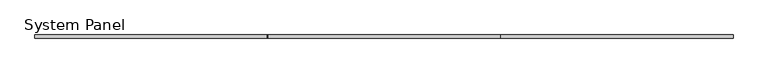
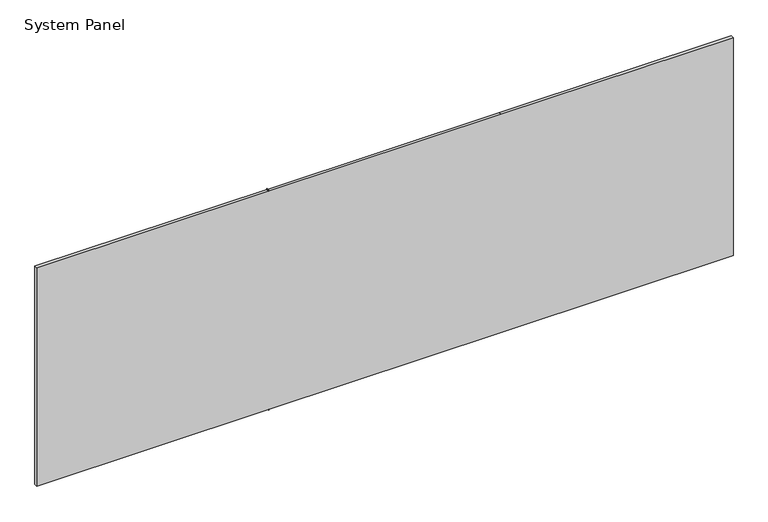
"""IFC4 building model written with IfcOpenShell, lengths in millimetres: plate geometry, System Panel."""

import ifcopenshell
import ifcopenshell.guid

model = None  # the IFC model being written
_history = None  # IfcOwnerHistory: only IFC2X3 demands one
_inside = {}  # id of a spatial element -> (the spatial element, [elements in it])
_under = {}  # id of a project, library or spatial element -> (it, [spatial elements below it])
_declared = {}  # id of a project -> (the project, [libraries it declares])
_typed = {}  # id of a type object -> (the type object, [elements of that type])
_made_of = {}  # id of a material, layer set ... -> (it, [elements and type objects made of it])


def new_model(schema):
    """Start an empty IFC model of exactly this schema.

    Asked for "IFC4X3", IfcOpenShell would pick the latest addendum, in which some entities
    have other attributes; the version numbers below select the first issue.
    IFC2X3 requires an IfcOwnerHistory on every rooted entity: one is made here for all.
    """
    global model, _history
    if schema == "IFC4X3":
        model = ifcopenshell.file(schema_version=(4, 3, 0, 0))
    else:
        model = ifcopenshell.file(schema=schema)
    _inside.clear()
    _under.clear()
    _declared.clear()
    _typed.clear()
    _made_of.clear()
    _history = None
    if model.schema == "IFC2X3":
        org = make("IfcOrganization", Name="unknown")
        user = make(
            "IfcPersonAndOrganization",
            ThePerson=make("IfcPerson", FamilyName="unknown"),
            TheOrganization=org,
        )
        app = make(
            "IfcApplication",
            ApplicationDeveloper=org,
            Version="unknown",
            ApplicationFullName="unknown",
            ApplicationIdentifier="unknown",
        )
        _history = make(
            "IfcOwnerHistory",
            OwningUser=user,
            OwningApplication=app,
            ChangeAction="ADDED",
            CreationDate=0,
        )
    return model


def make(cls, **values):
    """One entity of the class cls with the attributes given. An attribute that is None is left unset."""
    return model.create_entity(
        cls, **{name: value for name, value in values.items() if value is not None}
    )


def rooted(cls, **values):
    """An entity with a GlobalId (a new one), such as an element, a storey or a relation."""
    return make(cls, GlobalId=ifcopenshell.guid.new(), OwnerHistory=_history, **values)


def si_unit(unit_type, name, prefix=None):
    """IfcSIUnit, for example si_unit("LENGTHUNIT", "METRE", prefix="MILLI")."""
    return make("IfcSIUnit", UnitType=unit_type, Prefix=prefix, Name=name)


def assignment(units):
    """IfcUnitAssignment: the units of a project."""
    return None if units is None else make("IfcUnitAssignment", Units=units)


def point(xyz):
    """IfcCartesianPoint."""
    return None if xyz is None else make("IfcCartesianPoint", Coordinates=xyz)


def direction(xyz):
    """IfcDirection."""
    return None if xyz is None else make("IfcDirection", DirectionRatios=xyz)


def frame(location, z_axis=None, x_axis=None):
    """IfcAxis2Placement3D, a coordinate frame: its origin and axes. An axis left out is left unset."""
    return make(
        "IfcAxis2Placement3D",
        Location=point(location),
        Axis=direction(z_axis),
        RefDirection=direction(x_axis),
    )


def origin():
    """The frame at (0, 0, 0) with its axes left unset."""
    return frame((0.0, 0.0, 0.0))


def place(relative_to, where):
    """IfcLocalPlacement: puts the frame where relative to a parent placement (None: the world)."""
    return make(
        "IfcLocalPlacement", PlacementRelTo=relative_to, RelativePlacement=where
    )


def context(
    kind, dimensions, precision=None, world=None, true_north=None, identifier=None
):
    """IfcGeometricRepresentationContext, for example the 3D "Model" context."""
    return make(
        "IfcGeometricRepresentationContext",
        ContextIdentifier=identifier,
        ContextType=kind,
        CoordinateSpaceDimension=dimensions,
        Precision=precision,
        WorldCoordinateSystem=world,
        TrueNorth=true_north,
    )


def project(units=None, contexts=None):
    """IfcProject with its units and contexts."""
    return rooted(
        "IfcProject",
        Name="project",
        RepresentationContexts=contexts,
        UnitsInContext=assignment(units),
    )


def spatial(cls, under=None, at=None, **own):
    """A site, building, storey or space (cls), placed at a placement, below another one or the project."""
    s = rooted(cls, ObjectPlacement=at, **own)
    if under is not None:
        _under.setdefault(under.id(), (under, []))[1].append(s)
    return s


def polyline(points):
    """IfcPolyline through the points."""
    return make("IfcPolyline", Points=[point(p) for p in points])


def outline(outer, holes=None, kind="AREA"):
    """IfcArbitraryClosedProfileDef: a profile drawn as a closed curve; with holes, ...WithVoids."""
    if holes is None:
        return make("IfcArbitraryClosedProfileDef", ProfileType=kind, OuterCurve=outer)
    return make(
        "IfcArbitraryProfileDefWithVoids",
        ProfileType=kind,
        OuterCurve=outer,
        InnerCurves=holes,
    )


def extrude(swept, where, along, depth):
    """IfcExtrudedAreaSolid: the profile swept, set in the frame where, extruded along a direction by depth."""
    return make(
        "IfcExtrudedAreaSolid",
        SweptArea=swept,
        Position=where,
        ExtrudedDirection=direction(along),
        Depth=depth,
    )


def shape(context_of_items, identifier, shape_type, items):
    """IfcShapeRepresentation: the items that make up one representation, for example the "Body"."""
    return make(
        "IfcShapeRepresentation",
        ContextOfItems=context_of_items,
        RepresentationIdentifier=identifier,
        RepresentationType=shape_type,
        Items=items,
    )


def source(mapping_origin, context_of_items, identifier, shape_type, items):
    """IfcRepresentationMap: a shape defined once, which mapped items show again and again."""
    return make(
        "IfcRepresentationMap",
        MappingOrigin=mapping_origin,
        MappedRepresentation=shape(context_of_items, identifier, shape_type, items),
    )


def transform(
    local_origin,
    x_axis=None,
    y_axis=None,
    z_axis=None,
    scale=None,
    scale2=None,
    scale3=None,
    uniform=True,
):
    """IfcCartesianTransformationOperator3D, or its non-uniform kind. x_axis, y_axis, z_axis: its Axis1, 2, 3."""
    if uniform:
        return make(
            "IfcCartesianTransformationOperator3D",
            Axis1=direction(x_axis),
            Axis2=direction(y_axis),
            LocalOrigin=point(local_origin),
            Scale=scale,
            Axis3=direction(z_axis),
        )
    return make(
        "IfcCartesianTransformationOperator3DnonUniform",
        Axis1=direction(x_axis),
        Axis2=direction(y_axis),
        LocalOrigin=point(local_origin),
        Scale=scale,
        Axis3=direction(z_axis),
        Scale2=scale2,
        Scale3=scale3,
    )


def mapped(mapping_source, mapping_target):
    """IfcMappedItem: shows the shape of a source again, moved by a transform."""
    return make(
        "IfcMappedItem", MappingSource=mapping_source, MappingTarget=mapping_target
    )


def made_of(thing, what):
    """Note that an element or type object is made of a material, layer set ...; save() writes the relation."""
    if what is not None:
        _made_of.setdefault(what.id(), (what, []))[1].append(thing)
    return thing


def element(
    cls,
    number,
    at=None,
    inside=None,
    cuts=None,
    type_object=None,
    material=None,
    context=None,
    identifier="Body",
    shape_type=None,
    held_by="IfcProductDefinitionShape",
    body=None,
    shapes=None,
    **own,
):
    """One element of the class cls, such as IfcWall. Its Tag is "e" and its number.

    at: its placement. inside: the storey or other place that contains it. cuts: it is an
    opening in that element (IfcRelVoidsElement). A single representation is given by context,
    identifier, shape_type and body (its items); several are given by shapes. held_by: the class
    of the entity that holds the representations. save() writes the other relations.
    """
    e = rooted(cls, Tag="e%d" % number, ObjectPlacement=at, **own)
    if body is not None:
        shapes = [shape(context, identifier, shape_type, body)]
    if shapes is not None:
        e.Representation = make(held_by, Representations=shapes)
    if inside is not None:
        _inside.setdefault(inside.id(), (inside, []))[1].append(e)
    if cuts is not None:
        rooted(
            "IfcRelVoidsElement", RelatingBuildingElement=cuts, RelatedOpeningElement=e
        )
    if type_object is not None:
        _typed.setdefault(type_object.id(), (type_object, []))[1].append(e)
    return made_of(e, material)


def aggregate(whole, parts):
    """IfcRelAggregates: a whole, such as a stair, and the parts it consists of."""
    return rooted("IfcRelAggregates", RelatingObject=whole, RelatedObjects=parts)


def save(model, path):
    """Write the relations noted so far, then the file.

    IfcRelAggregates (storeys below a building ...), IfcRelContainedInSpatialStructure (elements
    in a storey), IfcRelDefinesByType, IfcRelAssociatesMaterial and IfcRelDeclares: one each for
    every whole, place, type object, material and project.
    """
    for whole, parts in _under.values():
        aggregate(whole, parts)
    for where, things in _inside.values():
        rooted(
            "IfcRelContainedInSpatialStructure",
            RelatedElements=things,
            RelatingStructure=where,
        )
    for kind, things in _typed.values():
        rooted("IfcRelDefinesByType", RelatedObjects=things, RelatingType=kind)
    for what, things in _made_of.values():
        rooted("IfcRelAssociatesMaterial", RelatedObjects=things, RelatingMaterial=what)
    for by, libraries in _declared.values():
        rooted("IfcRelDeclares", RelatingContext=by, RelatedDefinitions=libraries)
    model.write(path)


def system_panel_2528cbb9(model_context):
    return source(origin(), model_context, "Body", "SweptSolid", [
        extrude(outline(polyline([(0.0, -600.0), (0.0, -597.5), (5.0, -597.5), (5.0, 600.0), (5.0, 1795.0), (1195.0, 1795.0), (1195.0, 600.0), (1195.0, -597.5), (1200.0, -597.5), (1200.0, -600.0), (1195.0, -600.0), (1195.0, -1795.0), (5.0, -1795.0), (5.0, -600.0), (0.0, -600.0)])), frame((0.0, -8.0, 0.0), z_axis=(0.0, 1.0, 0.0), x_axis=(0.0, 0.0, 1.0)), (0.0, 0.0, 1.0), 16.0),
    ])


if __name__ == "__main__":
    model = new_model("IFC4")
    model_context = context("Model", 3, world=origin())
    ifc_project = project(units=[si_unit("LENGTHUNIT", "METRE", prefix="MILLI")], contexts=[model_context])
    site = spatial("IfcSite", under=ifc_project)
    building = spatial("IfcBuilding", under=site)
    placement = place(None, origin())
    system_panel_shape = system_panel_2528cbb9(model_context)
    element("IfcPlate", 1, ObjectType="System Panel", at=placement, inside=building, context=model_context, shape_type="MappedRepresentation", body=[
        mapped(system_panel_shape, transform((0.0, 0.0, 0.0), x_axis=(1.0, 0.0, 0.0), y_axis=(0.0, 1.0, 0.0), z_axis=(0.0, 0.0, 1.0))),
    ])
    save(model, "model.ifc")
